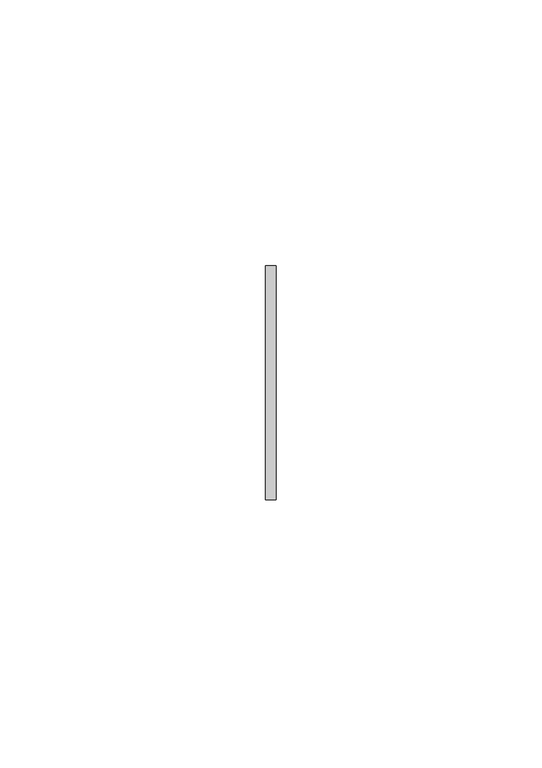
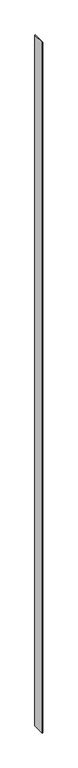
"""IFC4 building model written with IfcOpenShell, lengths in millimetres: member geometry."""

from ifc_helpers import new_model, si_unit, frame, origin, place, context, project, spatial, polyline, outline, extrude, source, transform, mapped, element, save


def member_dd46d3a4(model_context):
    return source(origin(), model_context, "Body", "SweptSolid", [
        extrude(outline(polyline([(1.0, 22.0), (1.0, -22.0), (-1.0, -22.0), (-1.0, 22.0), (1.0, 22.0)])), frame((0.0, 0.0, -2499.0), z_axis=(0.0, 0.0, 1.0), x_axis=(1.0, 0.0, 0.0)), (0.0, 0.0, 1.0), 2499.0),
    ])


if __name__ == "__main__":
    model = new_model("IFC4")
    model_context = context("Model", 3, world=origin())
    ifc_project = project(units=[si_unit("LENGTHUNIT", "METRE", prefix="MILLI")], contexts=[model_context])
    site = spatial("IfcSite", under=ifc_project)
    building = spatial("IfcBuilding", under=site)
    placement = place(None, origin())
    member_shape = member_dd46d3a4(model_context)
    element("IfcMember", 1, at=placement, inside=building, context=model_context, shape_type="MappedRepresentation", body=[
        mapped(member_shape, transform((0.0, 0.0, 0.0), x_axis=(1.0, 0.0, 0.0), y_axis=(0.0, 1.0, 0.0), z_axis=(0.0, 0.0, 1.0))),
    ])
    save(model, "model.ifc")
